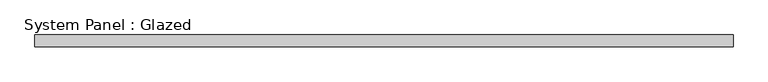
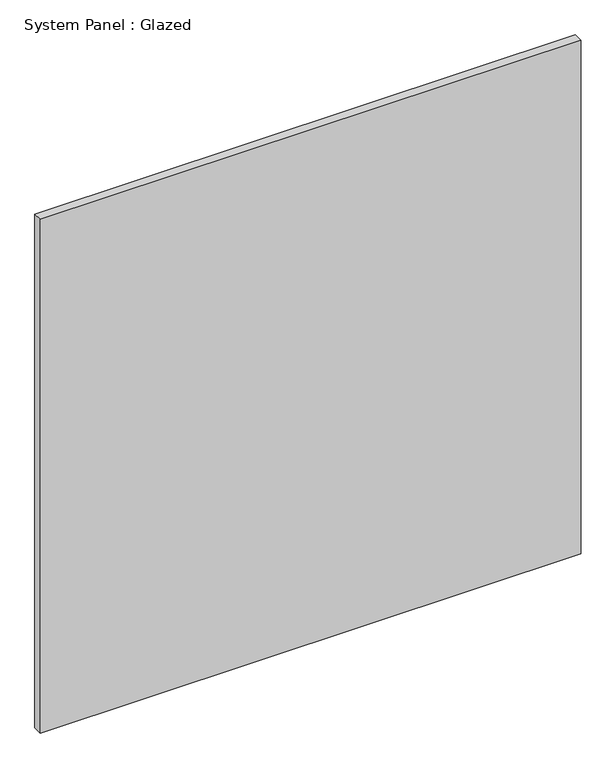
"""IFC4 building model written with IfcOpenShell, lengths in millimetres: plate geometry, System Panel : Glazed."""

from ifc_helpers import new_model, si_unit, origin, origin_with_axes, place, context, project, spatial, polyline, outline, extrude, source, transform, mapped, element, save


def system_panel_glazed_61fbc60f(model_context):
    return source(origin(), model_context, "Body", "SweptSolid", [
        extrude(outline(polyline([(736.6, -12.7), (-736.6, -12.7), (-736.6, 12.7), (736.6, 12.7), (736.6, -12.7)])), origin_with_axes(), (0.0, 0.0, 1.0), 1479.05),
    ])


if __name__ == "__main__":
    model = new_model("IFC4")
    model_context = context("Model", 3, world=origin())
    ifc_project = project(units=[si_unit("LENGTHUNIT", "METRE", prefix="MILLI")], contexts=[model_context])
    site = spatial("IfcSite", under=ifc_project)
    building = spatial("IfcBuilding", under=site)
    placement = place(None, origin())
    system_panel_glazed_shape = system_panel_glazed_61fbc60f(model_context)
    element("IfcPlate", 1, ObjectType="System Panel : Glazed", at=placement, inside=building, context=model_context, shape_type="MappedRepresentation", body=[
        mapped(system_panel_glazed_shape, transform((0.0, 0.0, 0.0), x_axis=(1.0, 0.0, 0.0), y_axis=(0.0, 1.0, 0.0), z_axis=(0.0, 0.0, 1.0))),
    ])
    save(model, "model.ifc")
